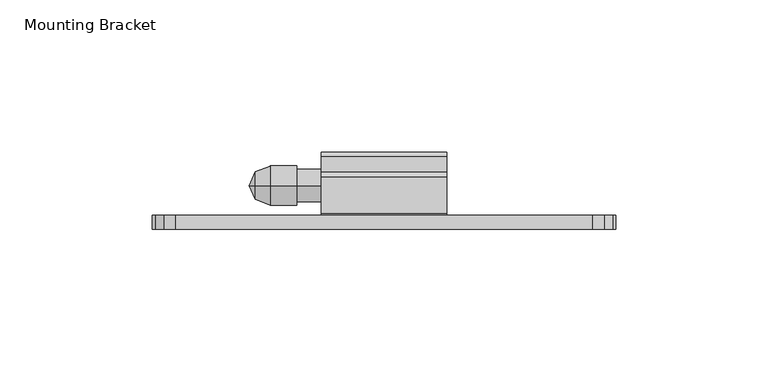
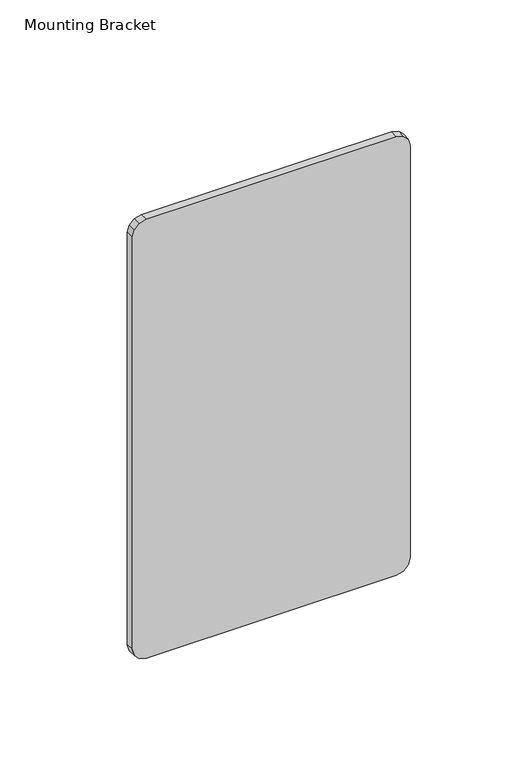
"""IFC4 building model written with IfcOpenShell, lengths in millimetres: furniture geometry, Mounting Bracket."""

from ifc_helpers import new_model, si_unit, frame, origin, place, context, project, spatial, polyline, circle_curve, outline, extrude, source, transform, mapped, element, save
from ifc_brep_helpers import plane_surface, cylinder_surface, revolved_surface, advanced_brep


def mounting_bracket_88f408aa(model_context):
    return source(origin(), model_context, "Body", "SolidModel", [
        extrude(outline(polyline([(1197.40172, 636.9192799), (1197.40172, 499.7592835), (1196.3808316, 495.9492826), (1193.5917191, 493.1601678), (1189.7817182, 492.1392863), (951.0217233, 492.1392863), (947.211727, 493.1601678), (944.4225985, 495.9492826), (943.4017124, 499.7592835), (943.4017124, 636.9192799), (944.4225985, 640.7292808), (947.211727, 643.5183956), (951.0217233, 644.5392817), (1189.7817182, 644.5392817), (1193.5917191, 643.5183956), (1196.3808316, 640.7292808), (1197.40172, 636.9192799)])), frame((0.0, -1267.5959292, 0.0), z_axis=(0.0, 1.0, 0.0), x_axis=(0.0, 0.0, 1.0)), (0.0, 0.0, 1.0), 4.5973995),
        advanced_brep(
        [(526.0628515, -1253.1852, 1123.2236646), (526.0628515, -1253.1852, 1132.3776162), (530.8753712, -1253.1852, 1134.2734625), (530.8753712, -1253.1852, 1121.3278183), (539.6258568, -1253.1852, 1134.2734625), (539.6258568, -1253.1852, 1121.3278183), (539.6258568, -1253.1852, 1133.1634558), (539.6258568, -1253.1852, 1122.4378251), (547.6881167, -1253.1852, 1133.1634558), (547.6881167, -1253.1852, 1122.4378251), (547.6881167, -1253.1852, 1127.8006404), (524.0694412, -1253.1852, 1127.8006404)],
        [
            (0, 1, circle_curve(frame((526.0628515, -1253.1852, 1127.8006404), z_axis=(1.0, 0.0, 0.0), x_axis=(0.0, 0.0, 1.0)), 4.5769758)),
            (1, 2),
            (2, 3, circle_curve(frame((530.8753712, -1253.1852, 1127.8006404), z_axis=(-1.0, 0.0, 0.0), x_axis=(0.0, 0.0, 1.0)), 6.4728221)),
            (3, 0),
            (1, 0, circle_curve(frame((526.0628515, -1253.1852, 1127.8006404), z_axis=(1.0, 0.0, 0.0), x_axis=(0.0, 0.0, 1.0)), 4.5769758)),
            (3, 2, circle_curve(frame((530.8753712, -1253.1852, 1127.8006404), z_axis=(-1.0, 0.0, 0.0), x_axis=(0.0, 0.0, 1.0)), 6.4728221)),
            (2, 4),
            (4, 5, circle_curve(frame((539.6258568, -1253.1852, 1127.8006404), z_axis=(-1.0, 0.0, 0.0), x_axis=(0.0, 0.0, 1.0)), 6.4728221)),
            (5, 3),
            (5, 4, circle_curve(frame((539.6258568, -1253.1852, 1127.8006404), z_axis=(-1.0, 0.0, 0.0), x_axis=(0.0, 0.0, 1.0)), 6.4728221)),
            (4, 6),
            (6, 7, circle_curve(frame((539.6258568, -1253.1852, 1127.8006404), z_axis=(-1.0, 0.0, 0.0), x_axis=(0.0, 0.0, 1.0)), 5.3628154)),
            (7, 5),
            (7, 6, circle_curve(frame((539.6258568, -1253.1852, 1127.8006404), z_axis=(-1.0, 0.0, 0.0), x_axis=(0.0, 0.0, 1.0)), 5.3628154)),
            (6, 8),
            (8, 9, circle_curve(frame((547.6881167, -1253.1852, 1127.8006404), z_axis=(-1.0, 0.0, 0.0), x_axis=(0.0, 0.0, 1.0)), 5.3628154)),
            (9, 7),
            (9, 8, circle_curve(frame((547.6881167, -1253.1852, 1127.8006404), z_axis=(-1.0, 0.0, 0.0), x_axis=(0.0, 0.0, 1.0)), 5.3628154)),
            (8, 10),
            (10, 9),
            (11, 1),
            (0, 11),
        ],
        [
            revolved_surface(polyline([(530.8753712, -1253.1852, 1134.2734625), (526.0628515, -1253.1852, 1132.3776162)]), (524.0694412, -1253.1852, 1127.8006404), (-1.0, 0.0, 0.0)),
            cylinder_surface(frame((524.0694412, -1253.1852, 1127.8006404), z_axis=(-1.0, 0.0, 0.0), x_axis=(0.0, 0.0, 1.0)), 6.4728221),
            plane_surface(frame((539.6258568, -1253.1852, 1127.8006404), z_axis=(1.0, 0.0, 0.0), x_axis=(0.0, 0.0, 1.0))),
            cylinder_surface(frame((524.0694412, -1253.1852, 1127.8006404), z_axis=(-1.0, 0.0, 0.0), x_axis=(0.0, 0.0, 1.0)), 5.3628154),
            plane_surface(frame((547.6881167, -1253.1852, 1127.8006404), z_axis=(1.0, 0.0, 0.0), x_axis=(0.0, 0.0, 1.0))),
            revolved_surface(polyline([(526.0628515, -1253.1852, 1132.3776162), (524.0694412, -1253.1852, 1127.8006404)]), (524.0694412, -1253.1852, 1127.8006404), (-1.0, 0.0, 0.0)),
        ],
        [
            (0, [[1, 2, 3, 4]]),
            (0, [[5, -4, 6, -2]]),
            (1, [[-3, 7, 8, 9]]),
            (1, [[-6, -9, 10, -7]]),
            (2, [[-8, 11, 12, 13]]),
            (2, [[-10, -13, 14, -11]]),
            (3, [[-12, 15, 16, 17]]),
            (3, [[-14, -17, 18, -15]]),
            (4, [[-16, 19, 20]]),
            (4, [[-18, -20, -19]]),
            (5, [[21, -1, 22]]),
            (5, [[-22, -5, -21]]),
        ],
    ),
        extrude(outline(polyline([(-1250.3046945, 1178.3771193), (-1248.7298945, 1176.8023188), (-1248.7298945, 1172.052519), (-1249.5126046, 1169.6881616), (-1251.5515106, 1168.2578878), (-1254.041105, 1168.326754), (-1255.997826, 1169.8675534), (-1257.4420942, 1169.4333615), (-1257.4420942, 1139.6989512), (-1256.8467817, 1139.1036387), (-1243.7705444, 1139.1036387), (-1242.1957445, 1137.5288393), (-1242.1957445, 1118.1029175), (-1243.7705444, 1116.5281181), (-1261.4235441, 1116.5281181), (-1262.9985297, 1118.1031037), (-1262.9985297, 1177.7782616), (-1262.399672, 1178.3771193), (-1250.3046945, 1178.3771193)])), frame((547.6881145, 0.0, 0.0), z_axis=(1.0, 0.0, 0.0), x_axis=(0.0, 1.0, 0.0)), (0.0, 0.0, 1.0), 41.2750015),
    ])


if __name__ == "__main__":
    model = new_model("IFC4")
    model_context = context("Model", 3, world=origin())
    ifc_project = project(units=[si_unit("LENGTHUNIT", "METRE", prefix="MILLI")], contexts=[model_context])
    site = spatial("IfcSite", under=ifc_project)
    building = spatial("IfcBuilding", under=site)
    placement = place(None, origin())
    mounting_bracket_shape = mounting_bracket_88f408aa(model_context)
    element("IfcFurniture", 1, ObjectType="Mounting Bracket", at=placement, inside=building, context=model_context, shape_type="MappedRepresentation", body=[
        mapped(mounting_bracket_shape, transform((0.0, 0.0, 0.0), x_axis=(1.0, 0.0, 0.0), y_axis=(0.0, 1.0, 0.0), z_axis=(0.0, 0.0, 1.0))),
    ])
    save(model, "model.ifc")
